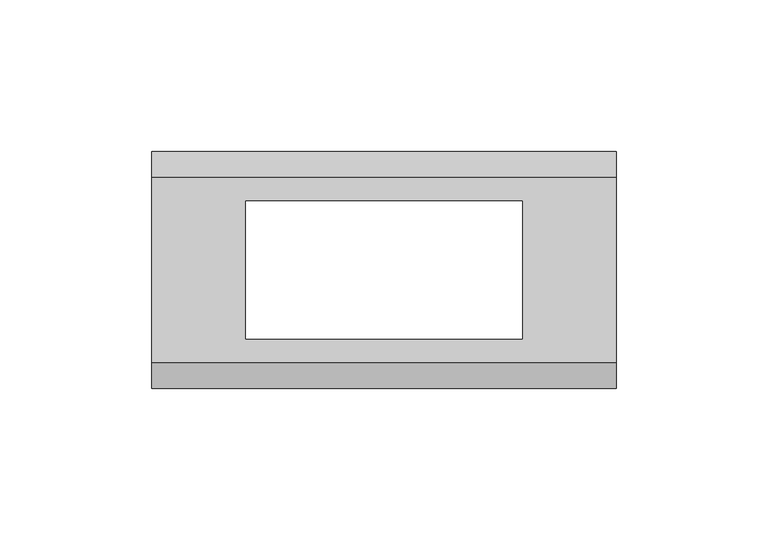
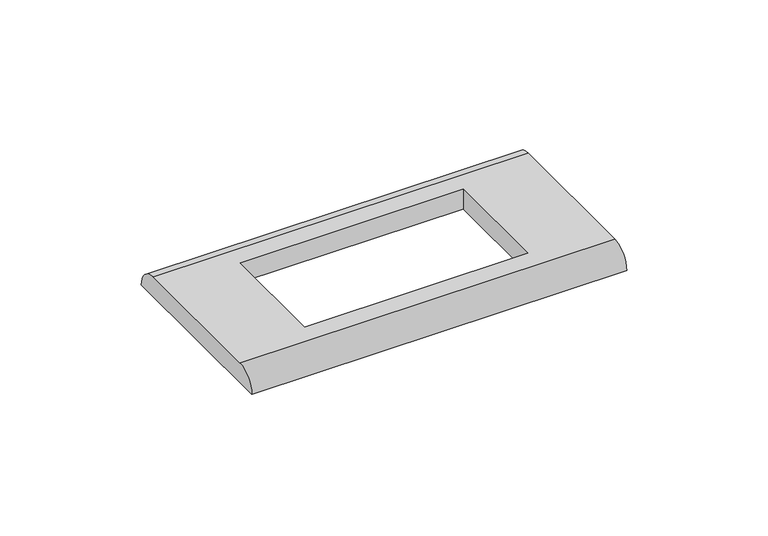
"""IFC4 building model written with IfcOpenShell, lengths in millimetres: proxy geometry."""

import ifcopenshell
import ifcopenshell.guid

model = None  # the IFC model being written
_history = None  # IfcOwnerHistory: only IFC2X3 demands one
_inside = {}  # id of a spatial element -> (the spatial element, [elements in it])
_under = {}  # id of a project, library or spatial element -> (it, [spatial elements below it])
_declared = {}  # id of a project -> (the project, [libraries it declares])
_typed = {}  # id of a type object -> (the type object, [elements of that type])
_made_of = {}  # id of a material, layer set ... -> (it, [elements and type objects made of it])


def new_model(schema):
    """Start an empty IFC model of exactly this schema.

    Asked for "IFC4X3", IfcOpenShell would pick the latest addendum, in which some entities
    have other attributes; the version numbers below select the first issue.
    IFC2X3 requires an IfcOwnerHistory on every rooted entity: one is made here for all.
    """
    global model, _history
    if schema == "IFC4X3":
        model = ifcopenshell.file(schema_version=(4, 3, 0, 0))
    else:
        model = ifcopenshell.file(schema=schema)
    _inside.clear()
    _under.clear()
    _declared.clear()
    _typed.clear()
    _made_of.clear()
    _history = None
    if model.schema == "IFC2X3":
        org = make("IfcOrganization", Name="unknown")
        user = make(
            "IfcPersonAndOrganization",
            ThePerson=make("IfcPerson", FamilyName="unknown"),
            TheOrganization=org,
        )
        app = make(
            "IfcApplication",
            ApplicationDeveloper=org,
            Version="unknown",
            ApplicationFullName="unknown",
            ApplicationIdentifier="unknown",
        )
        _history = make(
            "IfcOwnerHistory",
            OwningUser=user,
            OwningApplication=app,
            ChangeAction="ADDED",
            CreationDate=0,
        )
    return model


def make(cls, **values):
    """One entity of the class cls with the attributes given. An attribute that is None is left unset."""
    return model.create_entity(
        cls, **{name: value for name, value in values.items() if value is not None}
    )


def rooted(cls, **values):
    """An entity with a GlobalId (a new one), such as an element, a storey or a relation."""
    return make(cls, GlobalId=ifcopenshell.guid.new(), OwnerHistory=_history, **values)


def si_unit(unit_type, name, prefix=None):
    """IfcSIUnit, for example si_unit("LENGTHUNIT", "METRE", prefix="MILLI")."""
    return make("IfcSIUnit", UnitType=unit_type, Prefix=prefix, Name=name)


def assignment(units):
    """IfcUnitAssignment: the units of a project."""
    return None if units is None else make("IfcUnitAssignment", Units=units)


def point(xyz):
    """IfcCartesianPoint."""
    return None if xyz is None else make("IfcCartesianPoint", Coordinates=xyz)


def direction(xyz):
    """IfcDirection."""
    return None if xyz is None else make("IfcDirection", DirectionRatios=xyz)


def frame(location, z_axis=None, x_axis=None):
    """IfcAxis2Placement3D, a coordinate frame: its origin and axes. An axis left out is left unset."""
    return make(
        "IfcAxis2Placement3D",
        Location=point(location),
        Axis=direction(z_axis),
        RefDirection=direction(x_axis),
    )


def origin():
    """The frame at (0, 0, 0) with its axes left unset."""
    return frame((0.0, 0.0, 0.0))


def place(relative_to, where):
    """IfcLocalPlacement: puts the frame where relative to a parent placement (None: the world)."""
    return make(
        "IfcLocalPlacement", PlacementRelTo=relative_to, RelativePlacement=where
    )


def context(
    kind, dimensions, precision=None, world=None, true_north=None, identifier=None
):
    """IfcGeometricRepresentationContext, for example the 3D "Model" context."""
    return make(
        "IfcGeometricRepresentationContext",
        ContextIdentifier=identifier,
        ContextType=kind,
        CoordinateSpaceDimension=dimensions,
        Precision=precision,
        WorldCoordinateSystem=world,
        TrueNorth=true_north,
    )


def project(units=None, contexts=None):
    """IfcProject with its units and contexts."""
    return rooted(
        "IfcProject",
        Name="project",
        RepresentationContexts=contexts,
        UnitsInContext=assignment(units),
    )


def spatial(cls, under=None, at=None, **own):
    """A site, building, storey or space (cls), placed at a placement, below another one or the project."""
    s = rooted(cls, ObjectPlacement=at, **own)
    if under is not None:
        _under.setdefault(under.id(), (under, []))[1].append(s)
    return s


def circle_curve(where, radius):
    """IfcCircle in the frame where."""
    return make("IfcCircle", Position=where, Radius=radius)


def shape(context_of_items, identifier, shape_type, items):
    """IfcShapeRepresentation: the items that make up one representation, for example the "Body"."""
    return make(
        "IfcShapeRepresentation",
        ContextOfItems=context_of_items,
        RepresentationIdentifier=identifier,
        RepresentationType=shape_type,
        Items=items,
    )


def source(mapping_origin, context_of_items, identifier, shape_type, items):
    """IfcRepresentationMap: a shape defined once, which mapped items show again and again."""
    return make(
        "IfcRepresentationMap",
        MappingOrigin=mapping_origin,
        MappedRepresentation=shape(context_of_items, identifier, shape_type, items),
    )


def transform(
    local_origin,
    x_axis=None,
    y_axis=None,
    z_axis=None,
    scale=None,
    scale2=None,
    scale3=None,
    uniform=True,
):
    """IfcCartesianTransformationOperator3D, or its non-uniform kind. x_axis, y_axis, z_axis: its Axis1, 2, 3."""
    if uniform:
        return make(
            "IfcCartesianTransformationOperator3D",
            Axis1=direction(x_axis),
            Axis2=direction(y_axis),
            LocalOrigin=point(local_origin),
            Scale=scale,
            Axis3=direction(z_axis),
        )
    return make(
        "IfcCartesianTransformationOperator3DnonUniform",
        Axis1=direction(x_axis),
        Axis2=direction(y_axis),
        LocalOrigin=point(local_origin),
        Scale=scale,
        Axis3=direction(z_axis),
        Scale2=scale2,
        Scale3=scale3,
    )


def mapped(mapping_source, mapping_target):
    """IfcMappedItem: shows the shape of a source again, moved by a transform."""
    return make(
        "IfcMappedItem", MappingSource=mapping_source, MappingTarget=mapping_target
    )


def made_of(thing, what):
    """Note that an element or type object is made of a material, layer set ...; save() writes the relation."""
    if what is not None:
        _made_of.setdefault(what.id(), (what, []))[1].append(thing)
    return thing


def element(
    cls,
    number,
    at=None,
    inside=None,
    cuts=None,
    type_object=None,
    material=None,
    context=None,
    identifier="Body",
    shape_type=None,
    held_by="IfcProductDefinitionShape",
    body=None,
    shapes=None,
    **own,
):
    """One element of the class cls, such as IfcWall. Its Tag is "e" and its number.

    at: its placement. inside: the storey or other place that contains it. cuts: it is an
    opening in that element (IfcRelVoidsElement). A single representation is given by context,
    identifier, shape_type and body (its items); several are given by shapes. held_by: the class
    of the entity that holds the representations. save() writes the other relations.
    """
    e = rooted(cls, Tag="e%d" % number, ObjectPlacement=at, **own)
    if body is not None:
        shapes = [shape(context, identifier, shape_type, body)]
    if shapes is not None:
        e.Representation = make(held_by, Representations=shapes)
    if inside is not None:
        _inside.setdefault(inside.id(), (inside, []))[1].append(e)
    if cuts is not None:
        rooted(
            "IfcRelVoidsElement", RelatingBuildingElement=cuts, RelatedOpeningElement=e
        )
    if type_object is not None:
        _typed.setdefault(type_object.id(), (type_object, []))[1].append(e)
    return made_of(e, material)


def aggregate(whole, parts):
    """IfcRelAggregates: a whole, such as a stair, and the parts it consists of."""
    return rooted("IfcRelAggregates", RelatingObject=whole, RelatedObjects=parts)


def save(model, path):
    """Write the relations noted so far, then the file.

    IfcRelAggregates (storeys below a building ...), IfcRelContainedInSpatialStructure (elements
    in a storey), IfcRelDefinesByType, IfcRelAssociatesMaterial and IfcRelDeclares: one each for
    every whole, place, type object, material and project.
    """
    for whole, parts in _under.values():
        aggregate(whole, parts)
    for where, things in _inside.values():
        rooted(
            "IfcRelContainedInSpatialStructure",
            RelatedElements=things,
            RelatingStructure=where,
        )
    for kind, things in _typed.values():
        rooted("IfcRelDefinesByType", RelatedObjects=things, RelatingType=kind)
    for what, things in _made_of.values():
        rooted("IfcRelAssociatesMaterial", RelatedObjects=things, RelatingMaterial=what)
    for by, libraries in _declared.values():
        rooted("IfcRelDeclares", RelatingContext=by, RelatedDefinitions=libraries)
    model.write(path)


def plane_surface(at):
    """IfcPlane: the flat surface through the origin of the frame at, square to its z axis."""
    return make("IfcPlane", Position=at)


def cylinder_surface(at, radius):
    """IfcCylindricalSurface: all points at the distance radius from the z axis of the frame at."""
    return make("IfcCylindricalSurface", Position=at, Radius=radius)


def advanced_brep(points, edges, surfaces, faces):
    """IfcAdvancedBrep: a solid bounded by faces that lie on surfaces and meet in shared edges.

    An edge is (start, end): straight between two places in points (the first is 0);
    or (start, end, curve); or (start, end, curve, False) where it runs against its curve.
    A face is (place in surfaces, loops), or (place, loops, False) where it looks against
    its surface's normal. A loop lists edges by number (the first is 1), with a minus sign
    where the edge is run from its end to its start. The first loop is the outer one.
    """
    corners = [point(p) for p in points]
    vertices = [make("IfcVertexPoint", VertexGeometry=c) for c in corners]
    made = []
    for start, end, *more in edges:
        made.append(
            make(
                "IfcEdgeCurve",
                EdgeStart=vertices[start],
                EdgeEnd=vertices[end],
                EdgeGeometry=more[0] if more else make("IfcPolyline", Points=[corners[start], corners[end]]),
                SameSense=more[1] if len(more) > 1 else True,
            )
        )
    hull = []
    for where, loops, *sense in faces:
        bounds = []
        for j, loop in enumerate(loops):
            ring = [make("IfcOrientedEdge", EdgeElement=made[abs(k) - 1], Orientation=k > 0) for k in loop]
            bounds.append(
                make(
                    "IfcFaceOuterBound" if j == 0 else "IfcFaceBound",
                    Bound=make("IfcEdgeLoop", EdgeList=ring),
                    Orientation=True,
                )
            )
        hull.append(make("IfcAdvancedFace", Bounds=bounds, FaceSurface=surfaces[where], SameSense=sense[0] if sense else True))
    return make("IfcAdvancedBrep", Outer=make("IfcClosedShell", CfsFaces=hull))


def electrical_fixtures_c81c6a68(model_context):
    return source(origin(), model_context, "Body", "AdvancedBrep", [
        advanced_brep(
        [(76.5, 30.5, 8.5), (-76.5, 30.5, 8.5), (-76.5, -30.5, 8.5), (76.5, -30.5, 8.5), (-45.5, 22.75, 8.5), (45.5, 22.75, 8.5), (45.5, -22.75, 8.5), (-45.5, -22.75, 8.5), (76.5, 39.0, 0.0), (76.5, -39.0, 0.0), (-76.5, -39.0, 0.0), (-76.5, 39.0, 0.0), (45.5, 22.75, 0.0), (-45.5, 22.75, 0.0), (-45.5, -22.75, 0.0), (45.5, -22.75, 0.0)],
        [
            (0, 1),
            (1, 2),
            (2, 3),
            (3, 0),
            (4, 5),
            (5, 6),
            (6, 7),
            (7, 4),
            (8, 9),
            (9, 10),
            (10, 11),
            (11, 8),
            (12, 13),
            (13, 14),
            (14, 15),
            (15, 12),
            (10, 2, circle_curve(frame((-76.5, -30.5, 0.0), z_axis=(-1.0, 0.0, 0.0), x_axis=(0.0, 1.0, 0.0)), 8.5)),
            (1, 11, circle_curve(frame((-76.5, 30.5, 0.0), z_axis=(-1.0, 0.0, 0.0), x_axis=(0.0, -1.0, 0.0)), 8.5)),
            (8, 0, circle_curve(frame((76.5, 30.5, 0.0), z_axis=(1.0, 0.0, 0.0), x_axis=(0.0, -1.0, 0.0)), 8.5)),
            (3, 9, circle_curve(frame((76.5, -30.5, 0.0), z_axis=(1.0, 0.0, 0.0), x_axis=(0.0, 1.0, 0.0)), 8.5)),
            (4, 13),
            (12, 5),
            (7, 14),
            (6, 15),
        ],
        [
            plane_surface(frame((-76.5, 39.0, 8.5), z_axis=(0.0, 0.0, 1.0), x_axis=(0.0, -1.0, 0.0))),
            plane_surface(frame((-76.5, 39.0, 0.0), z_axis=(0.0, 0.0, -1.0), x_axis=(0.0, 1.0, 0.0))),
            plane_surface(frame((-76.5, 39.0, 8.5), z_axis=(-1.0, 0.0, 0.0), x_axis=(0.0, 0.0, -1.0))),
            plane_surface(frame((76.5, -39.0, 8.5), z_axis=(1.0, 0.0, 0.0), x_axis=(0.0, 0.0, -1.0))),
            plane_surface(frame((45.5, 22.75, 8.5), z_axis=(0.0, -1.0, 0.0), x_axis=(0.0, 0.0, -1.0))),
            plane_surface(frame((-45.5, 22.75, 8.5), z_axis=(1.0, 0.0, 0.0), x_axis=(0.0, 0.0, -1.0))),
            plane_surface(frame((-45.5, -22.75, 8.5), z_axis=(0.0, 1.0, 0.0), x_axis=(0.0, 0.0, -1.0))),
            plane_surface(frame((45.5, -22.75, 8.5), z_axis=(-1.0, 0.0, 0.0), x_axis=(0.0, 0.0, -1.0))),
            cylinder_surface(frame((76.5, 30.5, 0.0), z_axis=(-1.0, 0.0, 0.0), x_axis=(0.0, -1.0, 0.0)), 8.5),
            cylinder_surface(frame((76.5, -30.5, 0.0), z_axis=(-1.0, 0.0, 0.0), x_axis=(0.0, 1.0, 0.0)), 8.5),
        ],
        [
            (0, [[1, 2, 3, 4], [5, 6, 7, 8]]),
            (1, [[9, 10, 11, 12], [13, 14, 15, 16]]),
            (2, [[-11, 17, -2, 18]]),
            (3, [[-9, 19, -4, 20]]),
            (4, [[21, -13, 22, -5]]),
            (5, [[-21, -8, 23, -14]]),
            (6, [[-23, -7, 24, -15]]),
            (7, [[-22, -16, -24, -6]]),
            (8, [[-1, -19, -12, -18]]),
            (9, [[-3, -17, -10, -20]]),
        ],
    ),
    ])


if __name__ == "__main__":
    model = new_model("IFC4")
    model_context = context("Model", 3, world=origin())
    ifc_project = project(units=[si_unit("LENGTHUNIT", "METRE", prefix="MILLI")], contexts=[model_context])
    site = spatial("IfcSite", under=ifc_project)
    building = spatial("IfcBuilding", under=site)
    placement = place(None, origin())
    electrical_fixtures_shape = electrical_fixtures_c81c6a68(model_context)
    element("IfcBuildingElementProxy", 1, Name="Electrical Fixtures", at=placement, inside=building, context=model_context, shape_type="MappedRepresentation", body=[
        mapped(electrical_fixtures_shape, transform((0.0, 0.0, 0.0), x_axis=(1.0, 0.0, 0.0), y_axis=(0.0, 1.0, 0.0), z_axis=(0.0, 0.0, 1.0))),
    ])
    save(model, "model.ifc")
